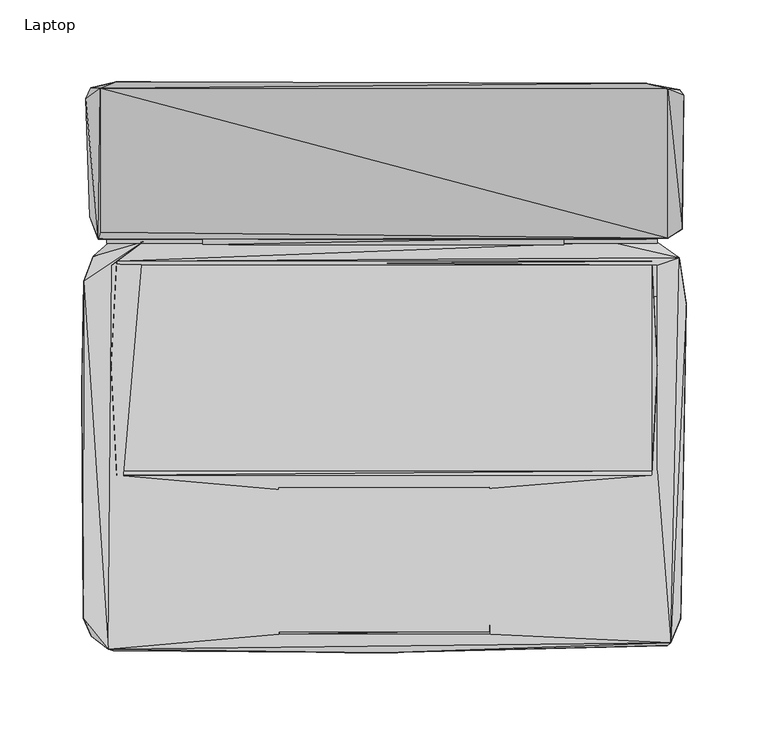
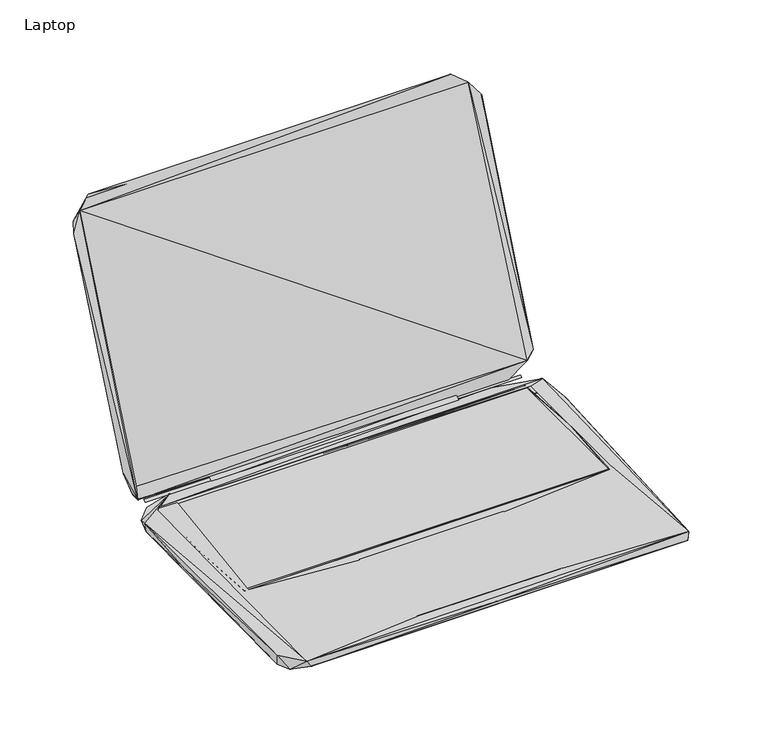
"""IFC4 building model written with IfcOpenShell, lengths in millimetres: furniture geometry, Laptop."""

from ifc_helpers import new_model, si_unit, origin, place, context, project, spatial, triangles, source, transform, mapped, element, save


def laptop_45d3a7ee(model_context):
    return source(origin(), model_context, "Body", "Tessellation", [
        triangles([(-163.1627697, -63.4161101, 10.6379669), (163.3643744, -63.4161237, 10.6379669), (-163.1627697, 62.2339693, 10.6379669), (163.3643744, 62.2339466, 10.6379669)], [[1, 2, 3], [2, 4, 3]], closed=False),
        triangles([(-110.8122133, 74.6278076, 10.6596248), (109.6013587, 74.627794, 10.6596248), (109.7013526, 79.027798, 13.559625), (-110.8122133, 79.12781, 13.559625), (-177.7495428, 67.5618372, 1.9875597), (-147.0631074, 76.4618299, 11.2875593), (-168.0495353, 76.0618362, 5.7875595), (179.8283585, 64.0618056, 1.3875597), (-175.7495377, 83.7618295, 15.6875588), (179.7283646, 88.3618031, 24.887557), (153.6283589, 77.6618112, 9.9875603), (-174.5495383, 78.1618352, 13.8875596), (-173.4495509, 82.3618332, 23.5875592), (-173.4495327, 170.083768, 230.6309262), (173.2283617, 78.5618017, 23.5875592), (-182.3495164, 163.783771, 215.930915), (-169.4495407, 75.7618409, 11.0875602), (166.7283587, 75.7618091, 11.0875602), (-169.4495407, 78.1618352, 12.3875592), (166.7283587, 78.1618079, 12.3875592), (138.5419342, 76.3618088, 10.7875592), (166.8283708, 76.2618058, 5.8875596), (-166.3495482, 62.0618323, 11.38756), (-163.1495437, 64.7618264, 11.38756), (-163.1495437, 62.1618353, 10.6875596), (163.4283603, 64.7618083, 11.38756), (166.7283587, 62.1618125, 11.4875596), (180.1283584, 66.7618088, 11.1875598), (163.4283603, 62.1618125, 10.6875596), (181.8283636, 84.2618081, 27.087559), (173.2283798, 169.9837378, 230.7309201), (183.0283812, 165.9837276, 217.9309201), (180.4283764, 169.283726, 219.6309072), (-179.2495239, 170.3837678, 222.6309239), (-163.4495254, 174.0837782, 240.2309216), (159.4283682, 173.2837362, 240.9309152), (-183.6495461, -153.3039601, 10.6875596), (-182.5495587, -150.8039673, 0.2875598), (-178.8495665, -164.2039488, 2.0875598), (-168.3495533, -172.3039631, 11.1875598), (-184.5495456, -12.9600999, 6.4875599), (-183.349528, 52.5508621, 10.0875599), (-180.9495473, 54.1508644, 0.2875598), (180.9283459, -153.7039902, 0.3875598), (-165.1495488, -173.3039566, 5.9875598), (172.9283436, -170.0039945, 4.2875599), (-0.1173732, -174.3039864, 9.9875603), (-64.3902512, -163.2039917, 11.4875596), (-62.6902505, -74.882039, 10.9875595), (174.8283548, -168.4040013, 11.2875593), (64.6690496, -163.2039917, 11.4875596), (-166.549536, -63.3820369, 11.4875596), (-162.9495559, -66.0820402, 11.4875596), (-64.3902512, -161.8039681, 11.0875602), (64.2690604, -161.7039742, 11.0875602), (64.0690544, -73.4820518, 11.0875602), (-64.4902451, -73.5820366, 11.0875602), (-63.4902471, -159.8039812, 10.9875595), (62.0690493, -161.1039745, 10.9875595), (62.1690568, -74.1820545, 10.9875595), (184.3283564, 38.5508446, 8.7875592), (163.4283603, -66.0820538, 11.4875596), (166.7283587, -63.3820596, 11.4875596), (182.5283572, 42.6508441, 0.1875598), (-163.1495437, -66.0820402, 11.38756), (163.4283603, -63.3820506, 10.6875596), (-163.1495437, -63.3820369, 10.6875596), (-166.549536, 0.5398989, 11.38756), (166.7283587, -1.7601233, 11.38756), (-179.8495418, 91.6618378, 32.1875588)], [[1, 2, 3], [1, 3, 4], [5, 6, 7], [5, 7, 8], [9, 10, 11], [9, 11, 12], [12, 13, 14], [12, 11, 15], [12, 15, 13], [12, 14, 16], [17, 18, 19], [19, 18, 20], [7, 6, 21], [7, 21, 22], [7, 22, 8], [23, 24, 6], [24, 25, 26], [24, 21, 6], [24, 27, 28], [24, 28, 21], [25, 29, 26], [21, 28, 22], [11, 30, 15], [11, 10, 30], [22, 28, 8], [15, 30, 31], [10, 32, 30], [10, 33, 32], [30, 32, 31], [16, 14, 34], [34, 35, 33], [34, 14, 35], [14, 36, 35], [14, 31, 36], [35, 36, 33], [36, 31, 33], [31, 32, 33], [37, 38, 39], [37, 39, 40], [37, 41, 38], [37, 42, 41], [37, 40, 42], [38, 41, 43], [38, 44, 39], [38, 43, 44], [39, 45, 40], [39, 46, 45], [39, 44, 46], [40, 23, 6], [40, 45, 47], [40, 48, 49], [40, 47, 50], [40, 51, 48], [40, 50, 51], [40, 52, 23], [40, 53, 52], [40, 49, 53], [40, 6, 42], [45, 46, 47], [54, 55, 56], [54, 56, 57], [48, 58, 49], [48, 59, 58], [48, 51, 59], [47, 46, 50], [51, 50, 60], [46, 44, 50], [50, 61, 28], [50, 44, 61], [50, 62, 60], [50, 63, 62], [50, 27, 63], [50, 28, 27], [44, 64, 61], [44, 43, 64], [65, 66, 67], [65, 62, 66], [65, 67, 68], [67, 25, 68], [53, 49, 60], [53, 60, 62], [66, 62, 69], [66, 69, 29], [41, 42, 43], [68, 25, 24], [69, 26, 29], [42, 5, 43], [42, 6, 5], [43, 5, 8], [43, 8, 64], [64, 8, 61], [61, 8, 28], [70, 9, 12], [70, 12, 16], [70, 10, 9], [70, 34, 33], [70, 33, 10], [70, 16, 34]], closed=False),
        triangles([(-173.4428653, 82.3396053, 23.5443364), (173.2898041, 78.5395828, 23.5443364), (-173.4428471, 170.1375438, 230.6010043), (173.2898223, 169.9375015, 230.6010043)], [[1, 2, 3], [2, 4, 3]], closed=False),
    ])


if __name__ == "__main__":
    model = new_model("IFC4")
    model_context = context("Model", 3, world=origin())
    ifc_project = project(units=[si_unit("LENGTHUNIT", "METRE", prefix="MILLI")], contexts=[model_context])
    site = spatial("IfcSite", under=ifc_project)
    building = spatial("IfcBuilding", under=site)
    placement = place(None, origin())
    laptop_shape = laptop_45d3a7ee(model_context)
    element("IfcFurniture", 1, ObjectType="Laptop", at=placement, inside=building, context=model_context, shape_type="MappedRepresentation", body=[
        mapped(laptop_shape, transform((0.0, 0.0, 0.0), x_axis=(1.0, 0.0, 0.0), y_axis=(0.0, 1.0, 0.0), z_axis=(0.0, 0.0, 1.0))),
    ])
    save(model, "model.ifc")
